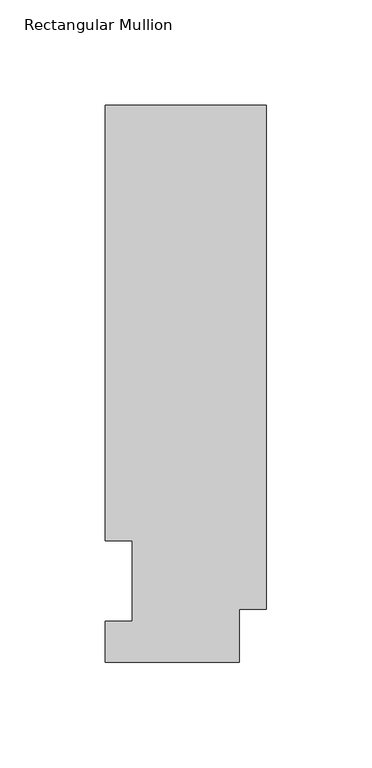
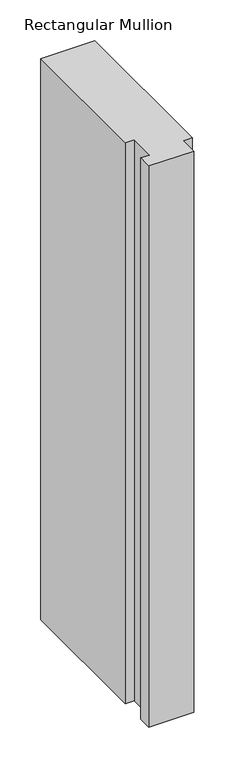
"""IFC4 building model written with IfcOpenShell, lengths in millimetres: member geometry, Rectangular Mullion."""

from ifc_helpers import new_model, si_unit, frame, origin, place, context, project, spatial, polyline, outline, extrude, source, transform, mapped, element, save


def rectangular_mullion_f64bca2c(model_context):
    return source(origin(), model_context, "Body", "SweptSolid", [
        extrude(outline(polyline([(-76.2, 264.0210937), (0.0, 264.0210937), (0.0, 25.0832937), (-12.7, 25.0832937), (-12.7, 0.0134938), (-76.2, 0.0134938), (-76.2, 19.5460937), (-63.5, 19.5460937), (-63.5, 57.6460937), (-76.2, 57.6460937), (-76.2, 264.0210937)])), frame((0.0, 0.0, -838.2), z_axis=(0.0, 0.0, 1.0), x_axis=(1.0, 0.0, 0.0)), (0.0, 0.0, 1.0), 838.2),
    ])


if __name__ == "__main__":
    model = new_model("IFC4")
    model_context = context("Model", 3, world=origin())
    ifc_project = project(units=[si_unit("LENGTHUNIT", "METRE", prefix="MILLI")], contexts=[model_context])
    site = spatial("IfcSite", under=ifc_project)
    building = spatial("IfcBuilding", under=site)
    placement = place(None, origin())
    rectangular_mullion_shape = rectangular_mullion_f64bca2c(model_context)
    element("IfcMember", 1, ObjectType="Rectangular Mullion", at=placement, inside=building, context=model_context, shape_type="MappedRepresentation", body=[
        mapped(rectangular_mullion_shape, transform((0.0, 0.0, 0.0), x_axis=(1.0, 0.0, 0.0), y_axis=(0.0, 1.0, 0.0), z_axis=(0.0, 0.0, 1.0))),
    ])
    save(model, "model.ifc")
